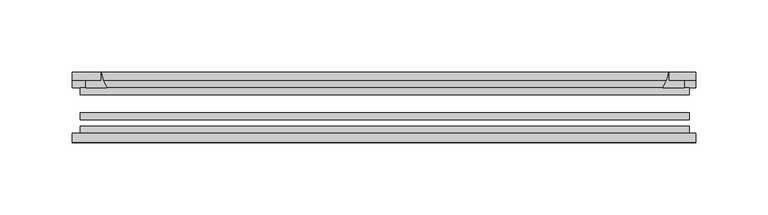
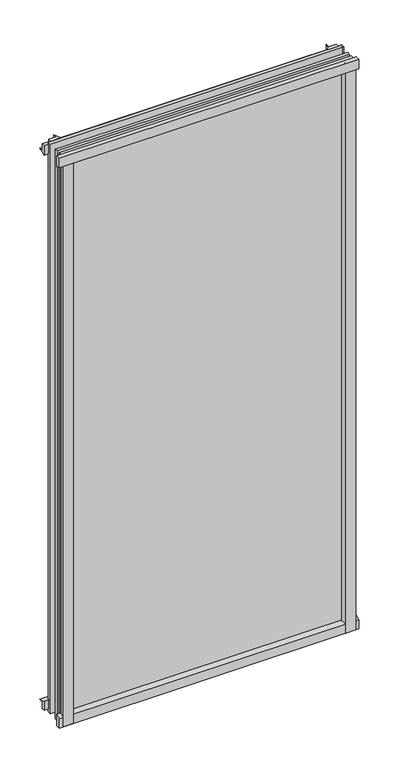
"""IFC4 building model written with IfcOpenShell, lengths in millimetres: plate geometry."""

from ifc_helpers import new_model, si_unit, point, frame, frame_2d, origin, place, context, project, spatial, polyline, circle_curve, trimmed, segment, composite_curve, outline, extrude, source, transform, mapped, element, save


def plate_62716c2c(model_context):
    return source(origin(), model_context, "Body", "SweptSolid", [
        extrude(outline(composite_curve([segment(polyline([(-85.1328625, 855.6813002), (-78.7828625, 855.6813002), (-78.7828625, 839.4311909)]), True, "CONTINUOUS"), segment(trimmed(circle_curve(frame_2d((-85.0581856, 830.3814356)), 11.0126179), [point((-78.7828625, 839.4311909))], [point((-85.1328625, 841.3938002))], True, "CARTESIAN"), True, "CONTINUOUS"), segment(polyline([(-85.1328625, 841.3938002), (-85.1328625, 855.6813002)]), True, "CONTINUOUS")], self_intersect=False)), frame((-216.8921875, 0.0, 0.0), z_axis=(1.0, 0.0, 0.0), x_axis=(0.0, 1.0, 0.0)), (0.0, 0.0, 1.0), 432.59375),
        extrude(outline(composite_curve([segment(polyline([(-211.1375, -78.7828625), (-194.2762844, -78.7828625)]), True, "CONTINUOUS"), segment(trimmed(circle_curve(frame_2d((-183.7138809, -86.7604812)), 13.2365693), [point((-194.2762844, -78.7828625))], [point((-196.85, -85.1328625))], True, "CARTESIAN"), True, "CONTINUOUS"), segment(polyline([(-196.85, -85.1328625), (-211.1375, -85.1328625), (-211.1375, -78.7828625)]), True, "CONTINUOUS")], self_intersect=False)), frame((0.0, 0.0, -14.2875), z_axis=(0.0, 0.0, 1.0), x_axis=(1.0, 0.0, 0.0)), (0.0, 0.0, 1.0), 869.95),
        extrude(outline(composite_curve([segment(polyline([(211.1375, -78.7828625), (211.1375, -85.1328625), (196.85, -85.1328625)]), True, "CONTINUOUS"), segment(trimmed(circle_curve(frame_2d((183.7138809, -86.7604812)), 13.2365693), [point((196.85, -85.1328625))], [point((194.2762844, -78.7828625))], True, "CARTESIAN"), True, "CONTINUOUS"), segment(polyline([(194.2762844, -78.7828625), (211.1375, -78.7828625)]), True, "CONTINUOUS")], self_intersect=False)), frame((0.0, 0.0, -14.2875), z_axis=(0.0, 0.0, 1.0), x_axis=(1.0, 0.0, 0.0)), (0.0, 0.0, 1.0), 869.95),
        extrude(outline(composite_curve([segment(polyline([(-47.1852625, -10.4712201), (-47.1852625, 3.9588469)]), True, "CONTINUOUS"), segment(trimmed(circle_curve(frame_2d((-30.6824422, 32.267054)), 32.7673262), [point((-47.1852625, 3.9588469))], [point((-36.3503395, -0.00635))], True, "CARTESIAN"), True, "CONTINUOUS"), segment(polyline([(-36.3503395, -0.00635), (-42.2830625, -0.00635), (-42.2830625, -10.4712201), (-47.1852625, -10.4712201)]), True, "CONTINUOUS")], self_intersect=False)), frame((-216.8921875, 0.0, 0.0), z_axis=(1.0, 0.0, 0.0), x_axis=(0.0, 1.0, 0.0)), (0.0, 0.0, 1.0), 432.59375),
        extrude(outline(composite_curve([segment(polyline([(-78.7828625, -14.2875), (-85.1328625, -14.2875), (-85.1328625, -0.0127)]), True, "CONTINUOUS"), segment(trimmed(circle_curve(frame_2d((-86.7604812, 13.1234191)), 13.2365693), [point((-85.1328625, -0.0127))], [point((-78.7828625, 2.5610156))], True, "CARTESIAN"), True, "CONTINUOUS"), segment(polyline([(-78.7828625, 2.5610156), (-78.7828625, -14.2875)]), True, "CONTINUOUS")], self_intersect=False)), frame((-216.8921875, 0.0, 0.0), z_axis=(1.0, 0.0, 0.0), x_axis=(0.0, 1.0, 0.0)), (0.0, 0.0, 1.0), 432.59375),
        extrude(outline(composite_curve([segment(polyline([(-47.1852625, 837.4034531), (-47.1852625, 852.0752564), (-42.2830625, 852.0752564), (-42.2830625, 841.375), (-36.3140625, 841.375)]), True, "CONTINUOUS"), segment(trimmed(circle_curve(frame_2d((-30.6824422, 809.095246)), 32.7673262), [point((-36.3140625, 841.375))], [point((-47.1852625, 837.4034531))], True, "CARTESIAN"), True, "CONTINUOUS")], self_intersect=False)), frame((-216.8921875, 0.0, 0.0), z_axis=(1.0, 0.0, 0.0), x_axis=(0.0, 1.0, 0.0)), (0.0, 0.0, 1.0), 432.59375),
        extrude(outline(composite_curve([segment(trimmed(circle_curve(frame_2d((164.570246, -30.6824422)), 32.7673262), [point((192.8784531, -47.1852625))], [point((196.85, -36.3140625))], True, "CARTESIAN"), True, "CONTINUOUS"), segment(polyline([(196.85, -36.3140625), (196.85, -42.2830625), (207.5503653, -42.2830625), (207.5503653, -47.1852625), (192.8784531, -47.1852625)]), True, "CONTINUOUS")], self_intersect=False)), frame((0.0, 0.0, -14.2875), z_axis=(0.0, 0.0, 1.0), x_axis=(1.0, 0.0, 0.0)), (0.0, 0.0, 1.0), 869.95),
        extrude(outline(composite_curve([segment(polyline([(-192.8784531, -47.1852625), (-207.5452092, -47.1852625), (-207.5452092, -42.2830625), (-196.85, -42.2830625), (-196.85, -36.3140625)]), True, "CONTINUOUS"), segment(trimmed(circle_curve(frame_2d((-164.570246, -30.6824422)), 32.7673262), [point((-196.85, -36.3140625))], [point((-192.8784531, -47.1852625))], True, "CARTESIAN"), True, "CONTINUOUS")], self_intersect=False)), frame((0.0, 0.0, -14.2875), z_axis=(0.0, 0.0, 1.0), x_axis=(1.0, 0.0, 0.0)), (0.0, 0.0, 1.0), 869.95),
        extrude(outline(polyline([(211.1375, -64.6604625), (211.1375, -69.4356625), (-211.1375, -69.4356625), (-211.1375, -64.6604625), (211.1375, -64.6604625)])), frame((0.0, 0.0, -14.2875), z_axis=(0.0, 0.0, 1.0), x_axis=(1.0, 0.0, 0.0)), (0.0, 0.0, 1.0), 869.95),
        extrude(outline(polyline([(-211.1375, -78.7828625), (-211.1375, -74.0076625), (211.1375, -74.0076625), (211.1375, -78.7828625), (-211.1375, -78.7828625)])), frame((0.0, 0.0, -14.2875), z_axis=(0.0, 0.0, 1.0), x_axis=(1.0, 0.0, 0.0)), (0.0, 0.0, 1.0), 869.95),
        extrude(outline(polyline([(-211.1375, -47.1852625), (211.1375, -47.1852625), (211.1375, -51.9604625), (-211.1375, -51.9604625), (-211.1375, -47.1852625)])), frame((0.0, 0.0, -14.2875), z_axis=(0.0, 0.0, 1.0), x_axis=(1.0, 0.0, 0.0)), (0.0, 0.0, 1.0), 869.95),
    ])


if __name__ == "__main__":
    model = new_model("IFC4")
    model_context = context("Model", 3, world=origin())
    ifc_project = project(units=[si_unit("LENGTHUNIT", "METRE", prefix="MILLI")], contexts=[model_context])
    site = spatial("IfcSite", under=ifc_project)
    building = spatial("IfcBuilding", under=site)
    placement = place(None, origin())
    plate_shape = plate_62716c2c(model_context)
    element("IfcPlate", 1, at=placement, inside=building, context=model_context, shape_type="MappedRepresentation", body=[
        mapped(plate_shape, transform((0.0, 0.0, 0.0), x_axis=(1.0, 0.0, 0.0), y_axis=(0.0, 1.0, 0.0), z_axis=(0.0, 0.0, 1.0))),
    ])
    save(model, "model.ifc")
